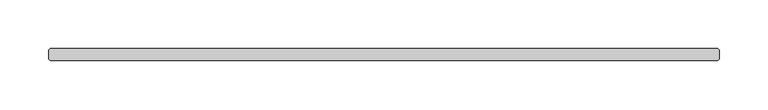
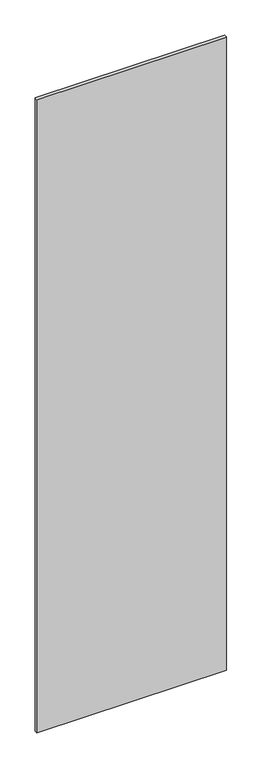
"""IFC4 building model written with IfcOpenShell, lengths in millimetres: plate geometry."""

from ifc_helpers import new_model, si_unit, origin, origin_with_axes, place, context, project, spatial, polyline, outline, extrude, source, transform, mapped, element, save


def plate_af8ad26a(model_context):
    return source(origin(), model_context, "Body", "SweptSolid", [
        extrude(outline(polyline([(371.078125, -6.35), (-315.515625, -6.35), (-317.103125, -4.7625), (-317.103125, 4.7625), (-315.515625, 6.35), (371.078125, 6.35), (372.665625, 4.7625), (372.665625, -4.7625), (371.078125, -6.35)])), origin_with_axes(), (0.0, 0.0, 1.0), 2427.1914267),
    ])


if __name__ == "__main__":
    model = new_model("IFC4")
    model_context = context("Model", 3, world=origin())
    ifc_project = project(units=[si_unit("LENGTHUNIT", "METRE", prefix="MILLI")], contexts=[model_context])
    site = spatial("IfcSite", under=ifc_project)
    building = spatial("IfcBuilding", under=site)
    placement = place(None, origin())
    plate_shape = plate_af8ad26a(model_context)
    element("IfcPlate", 1, at=placement, inside=building, context=model_context, shape_type="MappedRepresentation", body=[
        mapped(plate_shape, transform((0.0, 0.0, 0.0), x_axis=(1.0, 0.0, 0.0), y_axis=(0.0, 1.0, 0.0), z_axis=(0.0, 0.0, 1.0))),
    ])
    save(model, "model.ifc")
